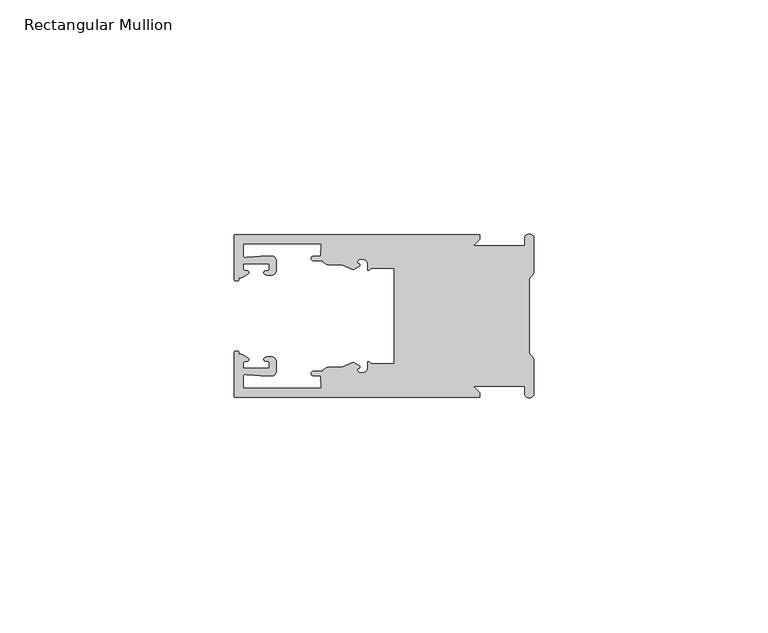
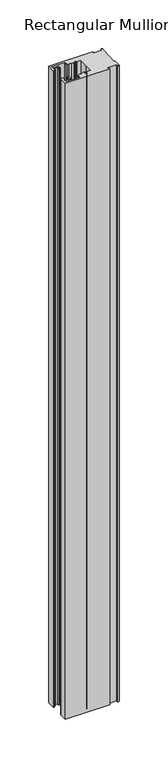
"""IFC4 building model written with IfcOpenShell, lengths in millimetres: member geometry, Rectangular Mullion."""

from ifc_helpers import new_model, si_unit, frame, origin, place, context, project, spatial, polyline, circle_curve, source, transform, mapped, element, save
from ifc_brep_helpers import plane_surface, cylinder_surface, revolved_surface, extruded_surface, spline_curve, advanced_brep


def rectangular_mullion_a22bf551(model_context):
    return source(origin(), model_context, "Body", "AdvancedBrep", [
        advanced_brep(
        [(-11.5387897, 17.4000478, 0.0), (-64.0387868, 17.4000478, 0.0), (-64.0387868, 7.8350057, 0.0), (-63.2884687, 7.5412947, 0.0), (-62.4614154, 8.1921895, 0.0), (-62.0410649, 9.9426451, 0.0), (-62.0424168, 11.1926444, 0.0), (-56.54242, 11.1985924, 0.0), (-56.5410682, 9.9485931, 0.0), (-57.1085345, 8.7314723, 0.0), (-56.0397166, 8.6991345, 0.0), (-55.0407987, 9.7002154, 0.0), (-55.0430697, 11.8002142, 0.0), (-56.0446364, 12.7991315, 0.0), (-58.3650753, 12.7954945, 0.0), (-61.1340054, 12.5502269, 0.0), (-62.044093, 12.7426435, 0.0), (-62.0469668, 15.4000478, 0.0), (-45.4240312, 15.4000478, 0.0), (-45.5732135, 12.8000478, 0.0), (-47.0387868, 12.8000478, 0.0), (-47.0387868, 11.8000478, 0.0), (-45.2543363, 11.8000478, 0.0), (-43.6387868, 10.9000478, 0.0), (-41.0454034, 10.9000478, 0.0), (-38.5697136, 9.8718293, 0.0), (-37.5387868, 10.4670351, 0.0), (-37.6803436, 11.4201497, 0.0), (-37.0270763, 12.1583697, 0.0), (-36.2010815, 12.0127245, 0.0), (-35.54, 11.2248783, 0.0), (-35.54, 10.0, 0.0), (-34.7705791, 10.25, 0.0), (-29.79, 10.25, 0.0), (-29.79, 0.0, 0.0), (-29.79, -10.25, 0.0), (-34.7705791, -10.25, 0.0), (-35.54, -10.0, 0.0), (-35.54, -11.2248783, 0.0), (-36.2010815, -12.0127245, 0.0), (-37.0270763, -12.1583697, 0.0), (-37.6803436, -11.4201497, 0.0), (-37.5387868, -10.4670351, 0.0), (-38.5697136, -9.8718293, 0.0), (-41.0454034, -10.9000478, 0.0), (-43.6387868, -10.9000478, 0.0), (-45.2543363, -11.8000478, 0.0), (-47.0387868, -11.8000478, 0.0), (-47.0387868, -12.8000478, 0.0), (-45.5732135, -12.8000478, 0.0), (-45.4240312, -15.4000478, 0.0), (-62.0469668, -15.4000478, 0.0), (-62.044093, -12.7426435, 0.0), (-61.1340054, -12.5502269, 0.0), (-58.3650753, -12.7954945, 0.0), (-56.0446364, -12.7991314, 0.0), (-55.0430697, -11.8002142, 0.0), (-55.0407987, -9.7002154, 0.0), (-56.0397166, -8.6991345, 0.0), (-57.1085345, -8.7314723, 0.0), (-56.5410682, -9.9485931, 0.0), (-56.54242, -11.1985924, 0.0), (-62.0424168, -11.1926444, 0.0), (-62.0410649, -9.9426451, 0.0), (-62.4614154, -8.1921895, 0.0), (-63.2884687, -7.5412947, 0.0), (-64.0387868, -7.8350057, 0.0), (-64.0387868, -17.4000478, 0.0), (-11.5387897, -17.4000478, 0.0), (-11.5387897, -16.4000449, 0.0), (-12.9388346, -15.0, 0.0), (-2.0, -15.0, 0.0), (-2.0, -16.5, 0.0), (0.0, -16.5, 0.0), (0.0, -9.1160254, 0.0), (-1.0, -7.9613249, 0.0), (-1.0, 0.0, 0.0), (-1.0, 7.9613249, 0.0), (0.0, 9.1160254, 0.0), (0.0, 16.5, 0.0), (-2.0, 16.5, 0.0), (-2.0, 15.0, 0.0), (-12.9388346, 15.0, 0.0), (-11.5387897, 16.4000449, 0.0), (-11.5387897, 17.4000478, -800.0), (-11.5387897, 16.4000449, -800.0), (-12.9388346, 15.0, -800.0), (-2.0, 15.0, -800.0), (-2.0, 16.5, -800.0), (0.0, 16.5, -800.0), (0.0, 9.1160254, -800.0), (-1.0, 7.9613249, -800.0), (-1.0, 0.0, -800.0), (-1.0, -7.9613249, -800.0), (0.0, -9.1160254, -800.0), (0.0, -16.5, -800.0), (-2.0, -16.5, -800.0), (-2.0, -15.0, -800.0), (-12.9388346, -15.0, -800.0), (-11.5387897, -16.4000449, -800.0), (-11.5387897, -17.4000478, -800.0), (-64.0387868, -17.4000478, -800.0), (-64.0387868, -7.8350057, -800.0), (-63.2884687, -7.5412947, -800.0), (-62.4614154, -8.1921895, -800.0), (-62.0410649, -9.9426451, -800.0), (-62.0424168, -11.1926444, -800.0), (-56.54242, -11.1985924, -800.0), (-56.5410682, -9.9485931, -800.0), (-57.1085345, -8.7314723, -800.0), (-56.0397166, -8.6991345, -800.0), (-55.0407987, -9.7002154, -800.0), (-55.0430697, -11.8002142, -800.0), (-56.0446364, -12.7991315, -800.0), (-58.3650753, -12.7954945, -800.0), (-61.1340054, -12.5502269, -800.0), (-62.044093, -12.7426435, -800.0), (-62.0469668, -15.4000478, -800.0), (-45.4240312, -15.4000478, -800.0), (-45.5732135, -12.8000478, -800.0), (-47.0387868, -12.8000478, -800.0), (-47.0387868, -11.8000478, -800.0), (-45.2543363, -11.8000478, -800.0), (-43.6387868, -10.9000478, -800.0), (-41.0454034, -10.9000478, -800.0), (-38.5697136, -9.8718293, -800.0), (-37.5387868, -10.4670351, -800.0), (-37.6803436, -11.4201497, -800.0), (-37.0270763, -12.1583697, -800.0), (-36.2010815, -12.0127245, -800.0), (-35.54, -11.2248783, -800.0), (-35.54, -10.0, -800.0), (-34.7705791, -10.25, -800.0), (-29.79, -10.25, -800.0), (-29.79, 0.0, -800.0), (-29.79, 10.25, -800.0), (-34.7705791, 10.25, -800.0), (-35.54, 10.0, -800.0), (-35.54, 11.2248783, -800.0), (-36.2010815, 12.0127245, -800.0), (-37.0270763, 12.1583697, -800.0), (-37.6803436, 11.4201497, -800.0), (-37.5387868, 10.4670351, -800.0), (-38.5697136, 9.8718293, -800.0), (-41.0454034, 10.9000478, -800.0), (-43.6387868, 10.9000478, -800.0), (-45.2543363, 11.8000478, -800.0), (-47.0387868, 11.8000478, -800.0), (-47.0387868, 12.8000478, -800.0), (-45.5732135, 12.8000478, -800.0), (-45.4240312, 15.4000478, -800.0), (-62.0469668, 15.4000478, -800.0), (-62.044093, 12.7426435, -800.0), (-61.1340054, 12.5502269, -800.0), (-58.3650753, 12.7954945, -800.0), (-56.0446364, 12.7991314, -800.0), (-55.0430697, 11.8002142, -800.0), (-55.0407987, 9.7002154, -800.0), (-56.0397166, 8.6991345, -800.0), (-57.1085345, 8.7314723, -800.0), (-56.5410682, 9.9485931, -800.0), (-56.54242, 11.1985924, -800.0), (-62.0424168, 11.1926444, -800.0), (-62.0410649, 9.9426451, -800.0), (-62.4614154, 8.1921895, -800.0), (-63.2884687, 7.5412947, -800.0), (-64.0387868, 7.8350057, -800.0), (-64.0387868, 17.4000478, -800.0)],
        [
            (0, 1),
            (1, 2),
            (2, 3, spline_curve(3, [(-64.0387868, 7.8350057, 0.0), (-64.038491377, 7.561831774, 0.0), (-63.788385325, 7.463928087, 0.0), (-63.2884687, 7.5412947, 0.0)], [4, 4], [0.0, 0.0019169337574178654])),
            (3, 4, spline_curve(3, [(-63.2884687, 7.5412947, 0.0), (-63.057760917, 7.582232011, 0.0), (-63.018445067, 7.725390894, 0.0), (-63.019925494, 8.056436881, 0.0), (-63.103444208, 8.236386866, 0.0), (-62.4614154, 8.1921895, 0.0)], [4, 2, 4], [0.0, 0.0010199524164107188, 0.0024874514725970356])),
            (4, 5, spline_curve(3, [(-62.4614154, 8.1921895, 0.0), (-60.988497673, 8.880962536, 0.0), (-60.794045122, 9.192776957, 0.0), (-60.949808078, 9.57023562, 0.0), (-61.145214014, 9.682771697, 0.0), (-61.665835706, 9.714019003, 0.0), (-61.965242574, 9.660891484, 0.0), (-62.0410649, 9.9426451, 0.0)], [4, 2, 2, 4], [0.0, 0.003269869179570428, 0.005490050486237203, 0.0073545767114364426])),
            (5, 6),
            (6, 7),
            (7, 8),
            (8, 9, spline_curve(3, [(-56.5410682, 9.9485931, 0.0), (-56.634838635, 9.597117104, 0.0), (-56.904956774, 9.698238818, 0.0), (-57.324171444, 9.731086209, 0.0), (-57.45969165, 9.646199885, 0.0), (-57.729003352, 9.346016011, 0.0), (-57.859492582, 9.113082158, 0.0), (-57.1085345, 8.7314723, 0.0)], [4, 2, 2, 4], [0.0, 0.001593963049934732, 0.0033360256320283306, 0.005339140673503943])),
            (9, 10),
            (10, 11, circle_curve(frame((-56.0407981, 9.699134, 0.0), z_axis=(0.0, 0.0, 1.0), x_axis=(0.0010814451158627505, -0.9999994152380598, 0.0)), 1.0)),
            (11, 12),
            (12, 13, circle_curve(frame((-56.0430691, 11.7991327, 0.0), z_axis=(0.0, 0.0, 1.0), x_axis=(0.0010814451158627505, -0.9999994152380598, 0.0)), 1.0)),
            (13, 14),
            (14, 15),
            (15, 16, spline_curve(3, [(-61.1340054, 12.5502269, 0.0), (-61.605485428, 12.508463911, 0.0), (-61.992111419, 12.303164326, 0.0), (-62.044093, 12.7426435, 0.0)], [4, 4], [0.0, 0.0014803385355886016])),
            (16, 17),
            (17, 18),
            (18, 19),
            (19, 20),
            (20, 21, circle_curve(frame((-47.0387868, 12.3000478, 0.0), z_axis=(0.0, 0.0, 1.0), x_axis=(0.0, -1.0, 0.0)), 0.5)),
            (21, 22),
            (22, 23, circle_curve(frame((-43.6387868, 12.8000478, 0.0), z_axis=(0.0, 0.0, 1.0), x_axis=(0.0, -1.0, 0.0)), 1.9)),
            (23, 24),
            (24, 25),
            (25, 26),
            (26, 27, spline_curve(3, [(-37.5387868, 10.4670351, 0.0), (-36.973919853, 10.833863985, 0.0), (-37.198159645, 11.135696286, 0.0), (-37.587892011, 11.260246073, 0.0), (-37.754584192, 11.180452419, 0.0), (-37.6803436, 11.4201497, 0.0)], [4, 2, 4], [0.0, 0.0019283703160353726, 0.003394584635652914])),
            (27, 28, circle_curve(frame((-37.0434863, 11.5147359, 0.0), z_axis=(0.0, 0.0, -1.0), x_axis=(0.0, -1.0, 0.0)), 0.643843)),
            (28, 29),
            (29, 30, circle_curve(frame((-36.34, 11.2248783, 0.0), z_axis=(0.0, 0.0, -1.0), x_axis=(0.0, -1.0, 0.0)), 0.8)),
            (30, 31),
            (31, 32, spline_curve(3, [(-35.54, 10.0, 0.0), (-35.440000238, 9.598293201, 0.0), (-35.183526594, 9.681626535, 0.0), (-34.7705791, 10.25, 0.0)], [4, 4], [0.0, 0.0027473296990141553])),
            (32, 33),
            (33, 34),
            (34, 35),
            (35, 36),
            (36, 37, spline_curve(3, [(-34.7705791, -10.25, 0.0), (-35.183526594, -9.681626535, 0.0), (-35.440000238, -9.598293201, 0.0), (-35.54, -10.0, 0.0)], [4, 4], [0.0, 0.0027473296990141553])),
            (37, 38),
            (38, 39, circle_curve(frame((-36.34, -11.2248783, 0.0), z_axis=(0.0, 0.0, -1.0), x_axis=(0.0, 1.0, 0.0)), 0.8)),
            (39, 40),
            (40, 41, circle_curve(frame((-37.0434863, -11.5147359, 0.0), z_axis=(0.0, 0.0, -1.0), x_axis=(0.0, 1.0, 0.0)), 0.643843)),
            (41, 42, spline_curve(3, [(-37.6803436, -11.4201497, 0.0), (-37.754584192, -11.180452419, 0.0), (-37.587892011, -11.260246073, 0.0), (-37.198159645, -11.135696286, 0.0), (-36.973919853, -10.833863985, 0.0), (-37.5387868, -10.4670351, 0.0)], [4, 2, 4], [0.0, 0.0014662143196175414, 0.003394584635652914])),
            (42, 43),
            (43, 44),
            (44, 45),
            (45, 46, circle_curve(frame((-43.6387868, -12.8000478, 0.0), z_axis=(0.0, 0.0, 1.0), x_axis=(0.0, 1.0, 0.0)), 1.9)),
            (46, 47),
            (47, 48, circle_curve(frame((-47.0387868, -12.3000478, 0.0), z_axis=(0.0, 0.0, 1.0), x_axis=(0.0, 1.0, 0.0)), 0.5)),
            (48, 49),
            (49, 50),
            (50, 51),
            (51, 52),
            (52, 53, spline_curve(3, [(-62.044093, -12.7426435, 0.0), (-61.992111419, -12.303164326, 0.0), (-61.605485428, -12.508463911, 0.0), (-61.1340054, -12.5502269, 0.0)], [4, 4], [0.0, 0.0014803385355886016])),
            (53, 54),
            (54, 55),
            (55, 56, circle_curve(frame((-56.0430691, -11.7991327, 0.0), z_axis=(0.0, 0.0, 1.0), x_axis=(0.001081445115855867, 0.9999994152380598, 0.0)), 1.0)),
            (56, 57),
            (57, 58, circle_curve(frame((-56.0407981, -9.699134, 0.0), z_axis=(0.0, 0.0, 1.0), x_axis=(0.001081445115855867, 0.9999994152380598, 0.0)), 1.0)),
            (58, 59),
            (59, 60, spline_curve(3, [(-57.1085345, -8.7314723, 0.0), (-57.859492582, -9.113082158, 0.0), (-57.729003352, -9.346016011, 0.0), (-57.45969165, -9.646199885, 0.0), (-57.324171444, -9.731086209, 0.0), (-56.904956774, -9.698238818, 0.0), (-56.634838635, -9.597117104, 0.0), (-56.5410682, -9.9485931, 0.0)], [4, 2, 2, 4], [0.0, 0.002003115041475612, 0.0037451776235692107, 0.005339140673503943])),
            (60, 61),
            (61, 62),
            (62, 63),
            (63, 64, spline_curve(3, [(-62.0410649, -9.9426451, 0.0), (-61.965242574, -9.660891484, 0.0), (-61.665835706, -9.714019003, 0.0), (-61.145214014, -9.682771697, 0.0), (-60.949808078, -9.57023562, 0.0), (-60.794045122, -9.192776957, 0.0), (-60.988497673, -8.880962536, 0.0), (-62.4614154, -8.1921895, 0.0)], [4, 2, 2, 4], [0.0, 0.0018645262251992395, 0.004084707531866015, 0.0073545767114364426])),
            (64, 65, spline_curve(3, [(-62.4614154, -8.1921895, 0.0), (-63.103444208, -8.236386866, 0.0), (-63.019925494, -8.056436881, 0.0), (-63.018445067, -7.725390894, 0.0), (-63.057760917, -7.582232011, 0.0), (-63.2884687, -7.5412947, 0.0)], [4, 2, 4], [0.0, 0.0014674990561863168, 0.0024874514725970356])),
            (65, 66, spline_curve(3, [(-63.2884687, -7.5412947, 0.0), (-63.788385325, -7.463928087, 0.0), (-64.038491377, -7.561831774, 0.0), (-64.0387868, -7.8350057, 0.0)], [4, 4], [0.0, 0.0019169337574178654])),
            (66, 67),
            (67, 68),
            (68, 69),
            (69, 70),
            (70, 71),
            (71, 72),
            (72, 73, circle_curve(frame((-1.0, -16.5, 0.0), z_axis=(0.0, 0.0, 1.0), x_axis=(0.0, 1.0, 0.0)), 1.0)),
            (73, 74),
            (74, 75),
            (75, 76),
            (76, 77),
            (77, 78),
            (78, 79),
            (79, 80, circle_curve(frame((-1.0, 16.5, 0.0), z_axis=(0.0, 0.0, 1.0), x_axis=(0.0, -1.0, 0.0)), 1.0)),
            (80, 81),
            (81, 82),
            (82, 83),
            (83, 0),
            (84, 85),
            (85, 86),
            (86, 87),
            (87, 88),
            (88, 89, circle_curve(frame((-1.0, 16.5, -800.0), z_axis=(0.0, 0.0, -1.0), x_axis=(0.0, -1.0, 0.0)), 1.0)),
            (89, 90),
            (90, 91),
            (91, 92),
            (92, 93),
            (93, 94),
            (94, 95),
            (95, 96, circle_curve(frame((-1.0, -16.5, -800.0), z_axis=(0.0, 0.0, -1.0), x_axis=(0.0, 1.0, 0.0)), 1.0)),
            (96, 97),
            (97, 98),
            (98, 99),
            (99, 100),
            (100, 101),
            (101, 102),
            (102, 103, spline_curve(3, [(-64.0387868, -7.8350057, -800.0), (-64.038491377, -7.561831774, -800.0), (-63.788385325, -7.463928087, -800.0), (-63.2884687, -7.5412947, -800.0)], [4, 4], [0.0, 0.0019169337574178654])),
            (103, 104, spline_curve(3, [(-63.2884687, -7.5412947, -800.0), (-63.057760917, -7.582232011, -800.0), (-63.018445067, -7.725390894, -800.0), (-63.019925494, -8.056436881, -800.0), (-63.103444208, -8.236386866, -800.0), (-62.4614154, -8.1921895, -800.0)], [4, 2, 4], [0.0, 0.0010199524164107188, 0.0024874514725970356])),
            (104, 105, spline_curve(3, [(-62.4614154, -8.1921895, -800.0), (-60.988497673, -8.880962536, -800.0), (-60.794045122, -9.192776957, -800.0), (-60.949808078, -9.57023562, -800.0), (-61.145214014, -9.682771697, -800.0), (-61.665835706, -9.714019003, -800.0), (-61.965242574, -9.660891484, -800.0), (-62.0410649, -9.9426451, -800.0)], [4, 2, 2, 4], [0.0, 0.003269869179570428, 0.005490050486237203, 0.0073545767114364426])),
            (105, 106),
            (106, 107),
            (107, 108),
            (108, 109, spline_curve(3, [(-56.5410682, -9.9485931, -800.0), (-56.634838635, -9.597117104, -800.0), (-56.904956774, -9.698238818, -800.0), (-57.324171444, -9.731086209, -800.0), (-57.45969165, -9.646199885, -800.0), (-57.729003352, -9.346016011, -800.0), (-57.859492582, -9.113082158, -800.0), (-57.1085345, -8.7314723, -800.0)], [4, 2, 2, 4], [0.0, 0.001593963049934732, 0.0033360256320283306, 0.005339140673503943])),
            (109, 110),
            (110, 111, circle_curve(frame((-56.0407981, -9.699134, -800.0), z_axis=(0.0, 0.0, -1.0), x_axis=(0.001081445115855867, 0.9999994152380598, 0.0)), 1.0)),
            (111, 112),
            (112, 113, circle_curve(frame((-56.0430691, -11.7991327, -800.0), z_axis=(0.0, 0.0, -1.0), x_axis=(0.001081445115855867, 0.9999994152380598, 0.0)), 1.0)),
            (113, 114),
            (114, 115),
            (115, 116, spline_curve(3, [(-61.1340054, -12.5502269, -800.0), (-61.605485428, -12.508463911, -800.0), (-61.992111419, -12.303164326, -800.0), (-62.044093, -12.7426435, -800.0)], [4, 4], [0.0, 0.0014803385355886016])),
            (116, 117),
            (117, 118),
            (118, 119),
            (119, 120),
            (120, 121, circle_curve(frame((-47.0387868, -12.3000478, -800.0), z_axis=(0.0, 0.0, -1.0), x_axis=(0.0, 1.0, 0.0)), 0.5)),
            (121, 122),
            (122, 123, circle_curve(frame((-43.6387868, -12.8000478, -800.0), z_axis=(0.0, 0.0, -1.0), x_axis=(0.0, 1.0, 0.0)), 1.9)),
            (123, 124),
            (124, 125),
            (125, 126),
            (126, 127, spline_curve(3, [(-37.5387868, -10.4670351, -800.0), (-36.973919853, -10.833863985, -800.0), (-37.198159645, -11.135696286, -800.0), (-37.587892011, -11.260246073, -800.0), (-37.754584192, -11.180452419, -800.0), (-37.6803436, -11.4201497, -800.0)], [4, 2, 4], [0.0, 0.0019283703160353726, 0.003394584635652914])),
            (127, 128, circle_curve(frame((-37.0434863, -11.5147359, -800.0), z_axis=(0.0, 0.0, 1.0), x_axis=(0.0, 1.0, 0.0)), 0.643843)),
            (128, 129),
            (129, 130, circle_curve(frame((-36.34, -11.2248783, -800.0), z_axis=(0.0, 0.0, 1.0), x_axis=(0.0, 1.0, 0.0)), 0.8)),
            (130, 131),
            (131, 132, spline_curve(3, [(-35.54, -10.0, -800.0), (-35.440000238, -9.598293201, -800.0), (-35.183526594, -9.681626535, -800.0), (-34.7705791, -10.25, -800.0)], [4, 4], [0.0, 0.0027473296990141553])),
            (132, 133),
            (133, 134),
            (134, 135),
            (135, 136),
            (136, 137, spline_curve(3, [(-34.7705791, 10.25, -800.0), (-35.183526594, 9.681626535, -800.0), (-35.440000238, 9.598293201, -800.0), (-35.54, 10.0, -800.0)], [4, 4], [0.0, 0.0027473296990141553])),
            (137, 138),
            (138, 139, circle_curve(frame((-36.34, 11.2248783, -800.0), z_axis=(0.0, 0.0, 1.0), x_axis=(0.0, -1.0, 0.0)), 0.8)),
            (139, 140),
            (140, 141, circle_curve(frame((-37.0434863, 11.5147359, -800.0), z_axis=(0.0, 0.0, 1.0), x_axis=(0.0, -1.0, 0.0)), 0.643843)),
            (141, 142, spline_curve(3, [(-37.6803436, 11.4201497, -800.0), (-37.754584192, 11.180452419, -800.0), (-37.587892011, 11.260246073, -800.0), (-37.198159645, 11.135696286, -800.0), (-36.973919853, 10.833863985, -800.0), (-37.5387868, 10.4670351, -800.0)], [4, 2, 4], [0.0, 0.0014662143196175414, 0.003394584635652914])),
            (142, 143),
            (143, 144),
            (144, 145),
            (145, 146, circle_curve(frame((-43.6387868, 12.8000478, -800.0), z_axis=(0.0, 0.0, -1.0), x_axis=(0.0, -1.0, 0.0)), 1.9)),
            (146, 147),
            (147, 148, circle_curve(frame((-47.0387868, 12.3000478, -800.0), z_axis=(0.0, 0.0, -1.0), x_axis=(0.0, -1.0, 0.0)), 0.5)),
            (148, 149),
            (149, 150),
            (150, 151),
            (151, 152),
            (152, 153, spline_curve(3, [(-62.044093, 12.7426435, -800.0), (-61.992111419, 12.303164326, -800.0), (-61.605485428, 12.508463911, -800.0), (-61.1340054, 12.5502269, -800.0)], [4, 4], [0.0, 0.0014803385355886016])),
            (153, 154),
            (154, 155),
            (155, 156, circle_curve(frame((-56.0430691, 11.7991327, -800.0), z_axis=(0.0, 0.0, -1.0), x_axis=(0.0010814451158627505, -0.9999994152380598, 0.0)), 1.0)),
            (156, 157),
            (157, 158, circle_curve(frame((-56.0407981, 9.699134, -800.0), z_axis=(0.0, 0.0, -1.0), x_axis=(0.0010814451158627505, -0.9999994152380598, 0.0)), 1.0)),
            (158, 159),
            (159, 160, spline_curve(3, [(-57.1085345, 8.7314723, -800.0), (-57.859492582, 9.113082158, -800.0), (-57.729003352, 9.346016011, -800.0), (-57.45969165, 9.646199885, -800.0), (-57.324171444, 9.731086209, -800.0), (-56.904956774, 9.698238818, -800.0), (-56.634838635, 9.597117104, -800.0), (-56.5410682, 9.9485931, -800.0)], [4, 2, 2, 4], [0.0, 0.002003115041475612, 0.0037451776235692107, 0.005339140673503943])),
            (160, 161),
            (161, 162),
            (162, 163),
            (163, 164, spline_curve(3, [(-62.0410649, 9.9426451, -800.0), (-61.965242574, 9.660891484, -800.0), (-61.665835706, 9.714019003, -800.0), (-61.145214014, 9.682771697, -800.0), (-60.949808078, 9.57023562, -800.0), (-60.794045122, 9.192776957, -800.0), (-60.988497673, 8.880962536, -800.0), (-62.4614154, 8.1921895, -800.0)], [4, 2, 2, 4], [0.0, 0.0018645262251992395, 0.004084707531866015, 0.0073545767114364426])),
            (164, 165, spline_curve(3, [(-62.4614154, 8.1921895, -800.0), (-63.103444208, 8.236386866, -800.0), (-63.019925494, 8.056436881, -800.0), (-63.018445067, 7.725390894, -800.0), (-63.057760917, 7.582232011, -800.0), (-63.2884687, 7.5412947, -800.0)], [4, 2, 4], [0.0, 0.0014674990561863168, 0.0024874514725970356])),
            (165, 166, spline_curve(3, [(-63.2884687, 7.5412947, -800.0), (-63.788385325, 7.463928087, -800.0), (-64.038491377, 7.561831774, -800.0), (-64.0387868, 7.8350057, -800.0)], [4, 4], [0.0, 0.0019169337574178654])),
            (166, 167),
            (167, 84),
            (0, 84),
            (167, 1),
            (166, 2),
            (165, 3),
            (164, 4),
            (163, 5),
            (162, 6),
            (161, 7),
            (160, 8),
            (159, 9),
            (158, 10),
            (157, 11),
            (156, 12),
            (155, 13),
            (154, 14),
            (153, 15),
            (152, 16),
            (151, 17),
            (150, 18),
            (149, 19),
            (148, 20),
            (147, 21),
            (146, 22),
            (145, 23),
            (144, 24),
            (143, 25),
            (142, 26),
            (141, 27),
            (140, 28),
            (139, 29),
            (138, 30),
            (137, 31),
            (136, 32),
            (135, 33),
            (134, 34),
            (133, 35),
            (132, 36),
            (131, 37),
            (130, 38),
            (129, 39),
            (128, 40),
            (127, 41),
            (126, 42),
            (125, 43),
            (124, 44),
            (123, 45),
            (122, 46),
            (121, 47),
            (120, 48),
            (119, 49),
            (118, 50),
            (117, 51),
            (116, 52),
            (115, 53),
            (114, 54),
            (113, 55),
            (112, 56),
            (111, 57),
            (110, 58),
            (109, 59),
            (108, 60),
            (107, 61),
            (106, 62),
            (105, 63),
            (104, 64),
            (103, 65),
            (102, 66),
            (101, 67),
            (100, 68),
            (99, 69),
            (98, 70),
            (97, 71),
            (96, 72),
            (95, 73),
            (94, 74),
            (93, 75),
            (92, 76),
            (91, 77),
            (90, 78),
            (89, 79),
            (88, 80),
            (87, 81),
            (86, 82),
            (85, 83),
        ],
        [
            plane_surface(frame((0.0, -66.3605898, 0.0), z_axis=(0.0, 0.0, 1.0), x_axis=(-1.0, 0.0, 0.0))),
            plane_surface(frame((0.0, -66.3605898, -800.0), z_axis=(0.0, 0.0, -1.0), x_axis=(-1.0, 0.0, 0.0))),
            plane_surface(frame((-11.5387897, 17.4000478, 0.0), z_axis=(0.0, 1.0, 0.0), x_axis=(0.0, 0.0, -1.0))),
            plane_surface(frame((-64.0387868, 17.4000478, 0.0), z_axis=(-1.0, 0.0, 0.0), x_axis=(0.0, 0.0, -1.0))),
            extruded_surface(spline_curve(3, [(-64.0387868, 7.8350057, -800.0), (-64.038491377, 7.561831774, -800.0), (-63.788385325, 7.463928087, -800.0), (-63.2884687, 7.5412947, -800.0)], [4, 4], [0.0, 0.0019169337574178654]), (0.0, 0.0, 800.0), 800.0),
            extruded_surface(spline_curve(3, [(-63.2884687, 7.5412947, -800.0), (-63.057760917, 7.582232011, -800.0), (-63.018445067, 7.725390894, -800.0), (-63.019925494, 8.056436881, -800.0), (-63.103444208, 8.236386866, -800.0), (-62.4614154, 8.1921895, -800.0)], [4, 2, 4], [0.0, 0.0010199524164107188, 0.0024874514725970356]), (0.0, 0.0, 800.0), 800.0),
            extruded_surface(spline_curve(3, [(-62.4614154, 8.1921895, -800.0), (-60.988497673, 8.880962536, -800.0), (-60.794045122, 9.192776957, -800.0), (-60.949808078, 9.57023562, -800.0), (-61.145214014, 9.682771697, -800.0), (-61.665835706, 9.714019003, -800.0), (-61.965242574, 9.660891484, -800.0), (-62.0410649, 9.9426451, -800.0)], [4, 2, 2, 4], [0.0, 0.003269869179570428, 0.005490050486237203, 0.0073545767114364426]), (0.0, 0.0, 800.0), 800.0),
            plane_surface(frame((-62.0410649, 9.9426451, 0.0), z_axis=(0.9999994152380598, 0.0010814451158593665, 0.0), x_axis=(0.0, 0.0, -1.0))),
            plane_surface(frame((-62.0424168, 11.1926444, 0.0), z_axis=(0.0010814451158611391, -0.9999994152380598, 0.0), x_axis=(0.0, 0.0, -1.0))),
            plane_surface(frame((-56.54242, 11.1985924, 0.0), z_axis=(-0.9999994152380598, -0.0010814451158584516, 0.0), x_axis=(0.0, 0.0, -1.0))),
            extruded_surface(spline_curve(3, [(-56.5410682, 9.9485931, -800.0), (-56.634838635, 9.597117104, -800.0), (-56.904956774, 9.698238818, -800.0), (-57.324171444, 9.731086209, -800.0), (-57.45969165, 9.646199885, -800.0), (-57.729003352, 9.346016011, -800.0), (-57.859492582, 9.113082158, -800.0), (-57.1085345, 8.7314723, -800.0)], [4, 2, 2, 4], [0.0, 0.001593963049934732, 0.0033360256320283306, 0.005339140673503943]), (0.0, 0.0, 800.0), 800.0),
            plane_surface(frame((-57.1085345, 8.7314723, 0.0), z_axis=(-0.030241832452869922, -0.9995426111826813, 0.0), x_axis=(0.0, 0.0, -1.0))),
            cylinder_surface(frame((-56.0407981, 9.699134, 0.0), z_axis=(0.0, 0.0, 1.0000000000000002), x_axis=(0.0010814451158627505, -0.9999994152380598, 0.0)), 1.0),
            plane_surface(frame((-55.0407987, 9.7002154, 0.0), z_axis=(0.9999994152380598, 0.001081445115858722, 0.0), x_axis=(0.0, 0.0, -1.0))),
            cylinder_surface(frame((-56.0430691, 11.7991327, 0.0), z_axis=(0.0, 0.0, 1.0000000000000002), x_axis=(0.0010814451158627505, -0.9999994152380598, 0.0)), 1.0),
            plane_surface(frame((-56.0446364, 12.7991314, 0.0), z_axis=(-0.0015673183327907744, 0.9999987717558677, 0.0), x_axis=(0.0, 0.0, -1.0))),
            plane_surface(frame((-58.3650753, 12.7954945, 0.0), z_axis=(-0.08823302167299531, 0.9960998614026874, 0.0), x_axis=(0.0, 0.0, -1.0))),
            extruded_surface(spline_curve(3, [(-61.1340054, 12.5502269, -800.0), (-61.605485428, 12.508463911, -800.0), (-61.992111419, 12.303164326, -800.0), (-62.044093, 12.7426435, -800.0)], [4, 4], [0.0, 0.0014803385355886016]), (0.0, 0.0, 800.0), 800.0),
            plane_surface(frame((-62.044093, 12.7426435, 0.0), z_axis=(0.9999994152380598, 0.0010814451158597813, 0.0), x_axis=(0.0, 0.0, -1.0))),
            plane_surface(frame((-62.0469668, 15.4000478, 0.0), z_axis=(0.0, -1.0, 0.0), x_axis=(0.0, 0.0, -1.0))),
            plane_surface(frame((-45.4240312, 15.4000478, 0.0), z_axis=(-0.9983579461523547, 0.05728360458675776, 0.0), x_axis=(0.0, 0.0, -1.0))),
            plane_surface(frame((-45.5732135, 12.8000478, 0.0), z_axis=(0.0, 1.0, 0.0), x_axis=(0.0, 0.0, -1.0))),
            cylinder_surface(frame((-47.0387868, 12.3000478, 0.0), z_axis=(0.0, 0.0, 1.0), x_axis=(0.0, -1.0, 0.0)), 0.5),
            plane_surface(frame((-47.0387868, 11.8000478, 0.0), z_axis=(0.0, -1.0, 0.0), x_axis=(0.0, 0.0, -1.0))),
            cylinder_surface(frame((-43.6387868, 12.8000478, 0.0), z_axis=(0.0, 0.0, 1.0), x_axis=(0.0, -1.0, 0.0)), 1.9),
            plane_surface(frame((-43.6387868, 10.9000478, 0.0), z_axis=(0.0, -1.0, 0.0), x_axis=(0.0, 0.0, -1.0))),
            plane_surface(frame((-41.0454034, 10.9000478, 0.0), z_axis=(-0.3835602140750569, -0.9235158700199453, 0.0), x_axis=(0.0, 0.0, -1.0))),
            plane_surface(frame((-38.5697136, 9.8718293, 0.0), z_axis=(0.5000000000252295, -0.8660254037698725, 0.0), x_axis=(0.0, 0.0, -1.0))),
            extruded_surface(spline_curve(3, [(-37.5387868, 10.4670351, -800.0), (-36.973919853, 10.833863985, -800.0), (-37.198159645, 11.135696286, -800.0), (-37.587892011, 11.260246073, -800.0), (-37.754584192, 11.180452419, -800.0), (-37.6803436, 11.4201497, -800.0)], [4, 2, 4], [0.0, 0.0019283703160353726, 0.003394584635652914]), (0.0, 0.0, 800.0), 800.0),
            revolved_surface(polyline([(-37.0434863, 10.8708929, -800.0), (-37.0434863, 10.8708929, 0.0)]), (-37.0434863, 11.5147359, 0.0), (0.0, 0.0, -1.0)),
            plane_surface(frame((-37.0270763, 12.1583697, 0.0), z_axis=(-0.17364817767050408, -0.984807753011578, 0.0), x_axis=(0.0, 0.0, -1.0))),
            revolved_surface(polyline([(-36.34, 10.4248783, -800.0), (-36.34, 10.4248783, 0.0)]), (-36.34, 11.2248783, 0.0), (0.0, 0.0, -1.0)),
            plane_surface(frame((-35.54, 11.2248783, 0.0), z_axis=(-1.0, 0.0, 0.0), x_axis=(0.0, 0.0, -1.0))),
            extruded_surface(spline_curve(3, [(-35.54, 10.0, -800.0), (-35.440000238, 9.598293201, -800.0), (-35.183526594, 9.681626535, -800.0), (-34.7705791, 10.25, -800.0)], [4, 4], [0.0, 0.0027473296990141553]), (0.0, 0.0, 800.0), 800.0),
            plane_surface(frame((-34.7705791, 10.25, 0.0), z_axis=(0.0, -1.0, 0.0), x_axis=(0.0, 0.0, -1.0))),
            plane_surface(frame((-29.79, 10.25, 0.0), z_axis=(-1.0, 0.0, 0.0), x_axis=(0.0, 0.0, -1.0))),
            plane_surface(frame((-29.79, 0.0, 0.0), z_axis=(-1.0, 0.0, 0.0), x_axis=(0.0, 0.0, -1.0))),
            plane_surface(frame((-29.79, -10.25, 0.0), z_axis=(0.0, 1.0, 0.0), x_axis=(0.0, 0.0, -1.0))),
            extruded_surface(spline_curve(3, [(-34.7705791, -10.25, -800.0), (-35.183526594, -9.681626535, -800.0), (-35.440000238, -9.598293201, -800.0), (-35.54, -10.0, -800.0)], [4, 4], [0.0, 0.0027473296990141553]), (0.0, 0.0, 800.0), 800.0),
            plane_surface(frame((-35.54, -10.0, 0.0), z_axis=(-1.0, 0.0, 0.0), x_axis=(0.0, 0.0, -1.0))),
            revolved_surface(polyline([(-36.34, -10.4248783, -800.0), (-36.34, -10.4248783, 0.0)]), (-36.34, -11.2248783, 0.0), (0.0, 0.0, -1.0)),
            plane_surface(frame((-36.2010815, -12.0127245, 0.0), z_axis=(-0.17364817767051083, 0.9848077530115767, 0.0), x_axis=(0.0, 0.0, -1.0))),
            revolved_surface(polyline([(-37.0434863, -10.8708929, -800.0), (-37.0434863, -10.8708929, 0.0)]), (-37.0434863, -11.5147359, 0.0), (0.0, 0.0, -1.0)),
            extruded_surface(spline_curve(3, [(-37.6803436, -11.4201497, -800.0), (-37.754584192, -11.180452419, -800.0), (-37.587892011, -11.260246073, -800.0), (-37.198159645, -11.135696286, -800.0), (-36.973919853, -10.833863985, -800.0), (-37.5387868, -10.4670351, -800.0)], [4, 2, 4], [0.0, 0.0014662143196175414, 0.003394584635652914]), (0.0, 0.0, 800.0), 800.0),
            plane_surface(frame((-37.5387868, -10.4670351, 0.0), z_axis=(0.5000000000252234, 0.8660254037698759, 0.0), x_axis=(0.0, 0.0, -1.0))),
            plane_surface(frame((-38.5697136, -9.8718293, 0.0), z_axis=(-0.38356021407506324, 0.9235158700199426, 0.0), x_axis=(0.0, 0.0, -1.0))),
            plane_surface(frame((-41.0454034, -10.9000478, 0.0), z_axis=(0.0, 1.0, 0.0), x_axis=(0.0, 0.0, -1.0))),
            cylinder_surface(frame((-43.6387868, -12.8000478, 0.0), z_axis=(0.0, 0.0, 1.0), x_axis=(0.0, 1.0, 0.0)), 1.9),
            plane_surface(frame((-45.2543363, -11.8000478, 0.0), z_axis=(0.0, 1.0, 0.0), x_axis=(0.0, 0.0, -1.0))),
            cylinder_surface(frame((-47.0387868, -12.3000478, 0.0), z_axis=(0.0, 0.0, 1.0), x_axis=(0.0, 1.0, 0.0)), 0.5),
            plane_surface(frame((-47.0387868, -12.8000478, 0.0), z_axis=(0.0, -1.0, 0.0), x_axis=(0.0, 0.0, -1.0))),
            plane_surface(frame((-45.5732135, -12.8000478, 0.0), z_axis=(-0.9983579461523543, -0.05728360458676463, 0.0), x_axis=(0.0, 0.0, -1.0))),
            plane_surface(frame((-45.4240312, -15.4000478, 0.0), z_axis=(0.0, 1.0, 0.0), x_axis=(0.0, 0.0, -1.0))),
            plane_surface(frame((-62.0469668, -15.4000478, 0.0), z_axis=(0.9999994152380598, -0.001081445115852898, 0.0), x_axis=(0.0, 0.0, -1.0))),
            extruded_surface(spline_curve(3, [(-62.044093, -12.7426435, -800.0), (-61.992111419, -12.303164326, -800.0), (-61.605485428, -12.508463911, -800.0), (-61.1340054, -12.5502269, -800.0)], [4, 4], [0.0, 0.0014803385355886016]), (0.0, 0.0, 800.0), 800.0),
            plane_surface(frame((-61.1340054, -12.5502269, 0.0), z_axis=(-0.08823302167298844, -0.9960998614026879, 0.0), x_axis=(0.0, 0.0, -1.0))),
            plane_surface(frame((-58.3650753, -12.7954945, 0.0), z_axis=(-0.001567318332783891, -0.9999987717558677, 0.0), x_axis=(0.0, 0.0, -1.0))),
            cylinder_surface(frame((-56.0430691, -11.7991327, 0.0), z_axis=(0.0, 0.0, 1.0000000000000002), x_axis=(0.001081445115855867, 0.9999994152380598, 0.0)), 1.0),
            plane_surface(frame((-55.0430697, -11.8002142, 0.0), z_axis=(0.9999994152380598, -0.0010814451158518386, 0.0), x_axis=(0.0, 0.0, -1.0))),
            cylinder_surface(frame((-56.0407981, -9.699134, 0.0), z_axis=(0.0, 0.0, 1.0000000000000002), x_axis=(0.001081445115855867, 0.9999994152380598, 0.0)), 1.0),
            plane_surface(frame((-56.0397166, -8.6991345, 0.0), z_axis=(-0.030241832452876805, 0.9995426111826811, 0.0), x_axis=(0.0, 0.0, -1.0))),
            extruded_surface(spline_curve(3, [(-57.1085345, -8.7314723, -800.0), (-57.859492582, -9.113082158, -800.0), (-57.729003352, -9.346016011, -800.0), (-57.45969165, -9.646199885, -800.0), (-57.324171444, -9.731086209, -800.0), (-56.904956774, -9.698238818, -800.0), (-56.634838635, -9.597117104, -800.0), (-56.5410682, -9.9485931, -800.0)], [4, 2, 2, 4], [0.0, 0.002003115041475612, 0.0037451776235692107, 0.005339140673503943]), (0.0, 0.0, 800.0), 800.0),
            plane_surface(frame((-56.5410682, -9.9485931, 0.0), z_axis=(-0.9999994152380598, 0.0010814451158515682, 0.0), x_axis=(0.0, 0.0, -1.0))),
            plane_surface(frame((-56.54242, -11.1985924, 0.0), z_axis=(0.0010814451158542558, 0.9999994152380598, 0.0), x_axis=(0.0, 0.0, -1.0))),
            plane_surface(frame((-62.0424168, -11.1926444, 0.0), z_axis=(0.9999994152380598, -0.001081445115852483, 0.0), x_axis=(0.0, 0.0, -1.0))),
            extruded_surface(spline_curve(3, [(-62.0410649, -9.9426451, -800.0), (-61.965242574, -9.660891484, -800.0), (-61.665835706, -9.714019003, -800.0), (-61.145214014, -9.682771697, -800.0), (-60.949808078, -9.57023562, -800.0), (-60.794045122, -9.192776957, -800.0), (-60.988497673, -8.880962536, -800.0), (-62.4614154, -8.1921895, -800.0)], [4, 2, 2, 4], [0.0, 0.0018645262251992395, 0.004084707531866015, 0.0073545767114364426]), (0.0, 0.0, 800.0), 800.0),
            extruded_surface(spline_curve(3, [(-62.4614154, -8.1921895, -800.0), (-63.103444208, -8.236386866, -800.0), (-63.019925494, -8.056436881, -800.0), (-63.018445067, -7.725390894, -800.0), (-63.057760917, -7.582232011, -800.0), (-63.2884687, -7.5412947, -800.0)], [4, 2, 4], [0.0, 0.0014674990561863168, 0.0024874514725970356]), (0.0, 0.0, 800.0), 800.0),
            extruded_surface(spline_curve(3, [(-63.2884687, -7.5412947, -800.0), (-63.788385325, -7.463928087, -800.0), (-64.038491377, -7.561831774, -800.0), (-64.0387868, -7.8350057, -800.0)], [4, 4], [0.0, 0.0019169337574178654]), (0.0, 0.0, 800.0), 800.0),
            plane_surface(frame((-64.0387868, -7.8350057, 0.0), z_axis=(-1.0, 0.0, 0.0), x_axis=(0.0, 0.0, -1.0))),
            plane_surface(frame((-64.0387868, -17.4000478, 0.0), z_axis=(0.0, -1.0, 0.0), x_axis=(0.0, 0.0, -1.0))),
            plane_surface(frame((-11.5387897, -17.4000478, 0.0), z_axis=(1.0, 0.0, 0.0), x_axis=(0.0, 0.0, -1.0))),
            plane_surface(frame((-11.5387897, -16.4000449, 0.0), z_axis=(0.7071067811865457, 0.7071067811865493, 0.0), x_axis=(0.0, 0.0, -1.0))),
            plane_surface(frame((-12.9388346, -15.0, 0.0), z_axis=(0.0, -1.0, 0.0), x_axis=(0.0, 0.0, -1.0))),
            plane_surface(frame((-2.0, -15.0, 0.0), z_axis=(-1.0, 0.0, 0.0), x_axis=(0.0, 0.0, -1.0))),
            cylinder_surface(frame((-1.0, -16.5, 0.0), z_axis=(0.0, 0.0, 1.0), x_axis=(0.0, 1.0, 0.0)), 1.0),
            plane_surface(frame((0.0, -16.5, 0.0), z_axis=(1.0, 0.0, 0.0), x_axis=(0.0, 0.0, -1.0))),
            plane_surface(frame((0.0, -9.1160254, 0.0), z_axis=(0.7559289460231527, 0.6546536707025522, 0.0), x_axis=(0.0, 0.0, -1.0))),
            plane_surface(frame((-1.0, -7.9613249, 0.0), z_axis=(1.0, 0.0, 0.0), x_axis=(0.0, 0.0, -1.0))),
            plane_surface(frame((-1.0, 0.0, 0.0), z_axis=(1.0, 0.0, 0.0), x_axis=(0.0, 0.0, -1.0))),
            plane_surface(frame((-1.0, 7.9613249, 0.0), z_axis=(0.7559289460231571, -0.654653670702547, 0.0), x_axis=(0.0, 0.0, -1.0))),
            plane_surface(frame((0.0, 9.1160254, 0.0), z_axis=(1.0, 0.0, 0.0), x_axis=(0.0, 0.0, -1.0))),
            cylinder_surface(frame((-1.0, 16.5, 0.0), z_axis=(0.0, 0.0, 1.0), x_axis=(0.0, -1.0, 0.0)), 1.0),
            plane_surface(frame((-2.0, 16.5, 0.0), z_axis=(-1.0, 0.0, 0.0), x_axis=(0.0, 0.0, -1.0))),
            plane_surface(frame((-2.0, 15.0, 0.0), z_axis=(0.0, 1.0, 0.0), x_axis=(0.0, 0.0, -1.0))),
            plane_surface(frame((-12.9388346, 15.0, 0.0), z_axis=(0.7071067811865507, -0.7071067811865446, 0.0), x_axis=(0.0, 0.0, -1.0))),
            plane_surface(frame((-11.5387897, 16.4000449, 0.0), z_axis=(1.0, 0.0, 0.0), x_axis=(0.0, 0.0, -1.0))),
        ],
        [
            (0, [[1, 2, 3, 4, 5, 6, 7, 8, 9, 10, 11, 12, 13, 14, 15, 16, 17, 18, 19, 20, 21, 22, 23, 24, 25, 26, 27, 28, 29, 30, 31, 32, 33, 34, 35, 36, 37, 38, 39, 40, 41, 42, 43, 44, 45, 46, 47, 48, 49, 50, 51, 52, 53, 54, 55, 56, 57, 58, 59, 60, 61, 62, 63, 64, 65, 66, 67, 68, 69, 70, 71, 72, 73, 74, 75, 76, 77, 78, 79, 80, 81, 82, 83, 84]]),
            (1, [[85, 86, 87, 88, 89, 90, 91, 92, 93, 94, 95, 96, 97, 98, 99, 100, 101, 102, 103, 104, 105, 106, 107, 108, 109, 110, 111, 112, 113, 114, 115, 116, 117, 118, 119, 120, 121, 122, 123, 124, 125, 126, 127, 128, 129, 130, 131, 132, 133, 134, 135, 136, 137, 138, 139, 140, 141, 142, 143, 144, 145, 146, 147, 148, 149, 150, 151, 152, 153, 154, 155, 156, 157, 158, 159, 160, 161, 162, 163, 164, 165, 166, 167, 168]]),
            (2, [[-1, 169, -168, 170]]),
            (3, [[-2, -170, -167, 171]]),
            (4, [[-3, -171, -166, 172]]),
            (5, [[-4, -172, -165, 173]]),
            (6, [[-5, -173, -164, 174]]),
            (7, [[-6, -174, -163, 175]]),
            (8, [[-7, -175, -162, 176]]),
            (9, [[-8, -176, -161, 177]]),
            (10, [[-9, -177, -160, 178]]),
            (11, [[-10, -178, -159, 179]]),
            (12, [[-11, -179, -158, 180]]),
            (13, [[-12, -180, -157, 181]]),
            (14, [[-13, -181, -156, 182]]),
            (15, [[-14, -182, -155, 183]]),
            (16, [[-15, -183, -154, 184]]),
            (17, [[-16, -184, -153, 185]]),
            (18, [[-17, -185, -152, 186]]),
            (19, [[-18, -186, -151, 187]]),
            (20, [[-19, -187, -150, 188]]),
            (21, [[-20, -188, -149, 189]]),
            (22, [[-21, -189, -148, 190]]),
            (23, [[-22, -190, -147, 191]]),
            (24, [[-23, -191, -146, 192]]),
            (25, [[-24, -192, -145, 193]]),
            (26, [[-25, -193, -144, 194]]),
            (27, [[-26, -194, -143, 195]]),
            (28, [[-27, -195, -142, 196]]),
            (29, [[-28, -196, -141, 197]]),
            (30, [[-29, -197, -140, 198]]),
            (31, [[-30, -198, -139, 199]]),
            (32, [[-31, -199, -138, 200]]),
            (33, [[-32, -200, -137, 201]]),
            (34, [[-33, -201, -136, 202]]),
            (35, [[-34, -202, -135, 203]]),
            (36, [[-35, -203, -134, 204]]),
            (37, [[-36, -204, -133, 205]]),
            (38, [[-37, -205, -132, 206]]),
            (39, [[-38, -206, -131, 207]]),
            (40, [[-39, -207, -130, 208]]),
            (41, [[-40, -208, -129, 209]]),
            (42, [[-41, -209, -128, 210]]),
            (43, [[-42, -210, -127, 211]]),
            (44, [[-43, -211, -126, 212]]),
            (45, [[-44, -212, -125, 213]]),
            (46, [[-45, -213, -124, 214]]),
            (47, [[-46, -214, -123, 215]]),
            (48, [[-47, -215, -122, 216]]),
            (49, [[-48, -216, -121, 217]]),
            (50, [[-49, -217, -120, 218]]),
            (51, [[-50, -218, -119, 219]]),
            (52, [[-51, -219, -118, 220]]),
            (53, [[-52, -220, -117, 221]]),
            (54, [[-53, -221, -116, 222]]),
            (55, [[-54, -222, -115, 223]]),
            (56, [[-55, -223, -114, 224]]),
            (57, [[-56, -224, -113, 225]]),
            (58, [[-57, -225, -112, 226]]),
            (59, [[-58, -226, -111, 227]]),
            (60, [[-59, -227, -110, 228]]),
            (61, [[-60, -228, -109, 229]]),
            (62, [[-61, -229, -108, 230]]),
            (63, [[-62, -230, -107, 231]]),
            (64, [[-63, -231, -106, 232]]),
            (65, [[-64, -232, -105, 233]]),
            (66, [[-65, -233, -104, 234]]),
            (67, [[-66, -234, -103, 235]]),
            (68, [[-67, -235, -102, 236]]),
            (69, [[-68, -236, -101, 237]]),
            (70, [[-69, -237, -100, 238]]),
            (71, [[-70, -238, -99, 239]]),
            (72, [[-71, -239, -98, 240]]),
            (73, [[-72, -240, -97, 241]]),
            (74, [[-73, -241, -96, 242]]),
            (75, [[-74, -242, -95, 243]]),
            (76, [[-75, -243, -94, 244]]),
            (77, [[-76, -244, -93, 245]]),
            (78, [[-77, -245, -92, 246]]),
            (79, [[-78, -246, -91, 247]]),
            (80, [[-79, -247, -90, 248]]),
            (81, [[-80, -248, -89, 249]]),
            (82, [[-81, -249, -88, 250]]),
            (83, [[-82, -250, -87, 251]]),
            (84, [[-83, -251, -86, 252]]),
            (85, [[-84, -252, -85, -169]]),
        ],
    ),
    ])


if __name__ == "__main__":
    model = new_model("IFC4")
    model_context = context("Model", 3, world=origin())
    ifc_project = project(units=[si_unit("LENGTHUNIT", "METRE", prefix="MILLI")], contexts=[model_context])
    site = spatial("IfcSite", under=ifc_project)
    building = spatial("IfcBuilding", under=site)
    placement = place(None, origin())
    rectangular_mullion_shape = rectangular_mullion_a22bf551(model_context)
    element("IfcMember", 1, ObjectType="Rectangular Mullion", at=placement, inside=building, context=model_context, shape_type="MappedRepresentation", body=[
        mapped(rectangular_mullion_shape, transform((0.0, 0.0, 0.0), x_axis=(1.0, 0.0, 0.0), y_axis=(0.0, 1.0, 0.0), z_axis=(0.0, 0.0, 1.0))),
    ])
    save(model, "model.ifc")
